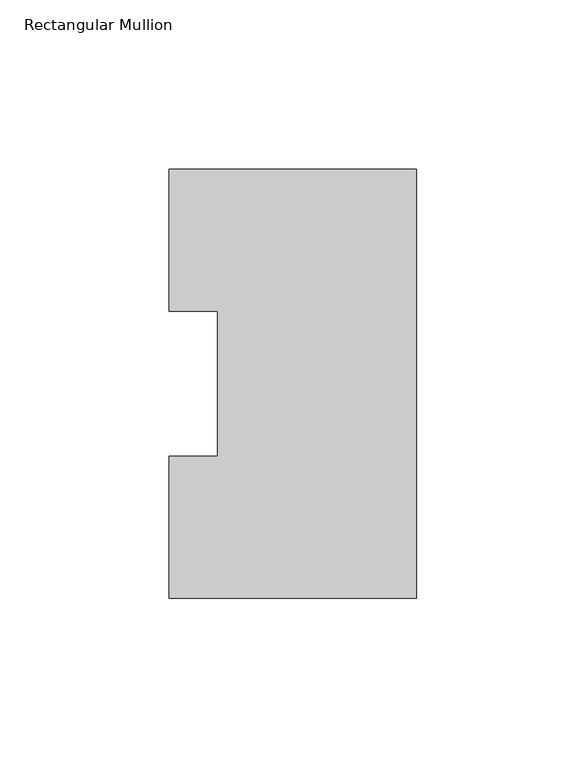
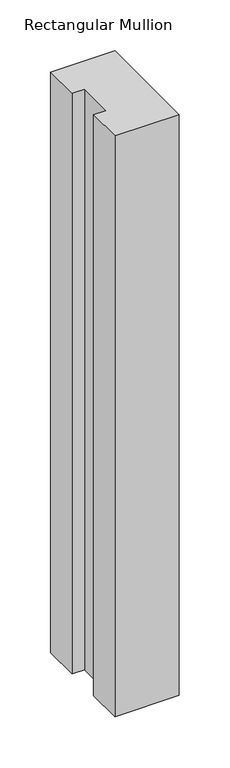
"""IFC4 building model written with IfcOpenShell, lengths in millimetres: member geometry, Rectangular Mullion."""

from ifc_helpers import new_model, si_unit, frame, origin, place, context, project, spatial, polyline, outline, extrude, source, transform, mapped, element, save


def rectangular_mullion_f19dac6d(model_context):
    return source(origin(), model_context, "Body", "SweptSolid", [
        extrude(outline(polyline([(0.0, 126.4546938), (0.0, -0.0373062), (-73.025, -0.0373062), (-73.025, 41.7837937), (-58.7375, 41.7837937), (-58.7375, 84.6335938), (-73.025, 84.6335938), (-73.025, 126.4546938), (0.0, 126.4546938)])), frame((0.0, 0.0, -698.5864919), z_axis=(0.0, 0.0, 1.0), x_axis=(1.0, 0.0, 0.0)), (0.0, 0.0, 1.0), 698.5864919),
    ])


if __name__ == "__main__":
    model = new_model("IFC4")
    model_context = context("Model", 3, world=origin())
    ifc_project = project(units=[si_unit("LENGTHUNIT", "METRE", prefix="MILLI")], contexts=[model_context])
    site = spatial("IfcSite", under=ifc_project)
    building = spatial("IfcBuilding", under=site)
    placement = place(None, origin())
    rectangular_mullion_shape = rectangular_mullion_f19dac6d(model_context)
    element("IfcMember", 1, ObjectType="Rectangular Mullion", at=placement, inside=building, context=model_context, shape_type="MappedRepresentation", body=[
        mapped(rectangular_mullion_shape, transform((0.0, 0.0, 0.0), x_axis=(1.0, 0.0, 0.0), y_axis=(0.0, 1.0, 0.0), z_axis=(0.0, 0.0, 1.0))),
    ])
    save(model, "model.ifc")
